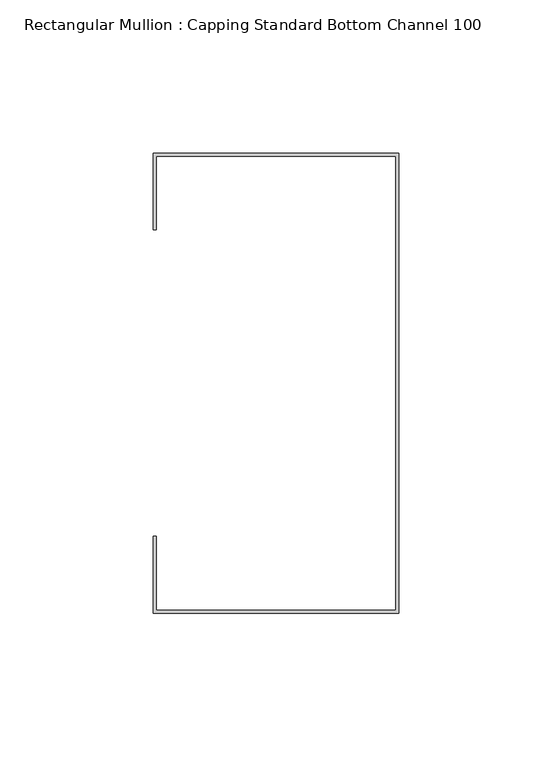
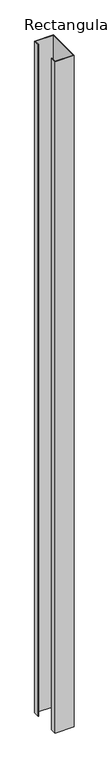
"""IFC4 building model written with IfcOpenShell, lengths in millimetres: member geometry, Rectangular Mullion : Capping Standard Bottom Channel 100."""

from ifc_helpers import new_model, si_unit, frame, origin, place, context, project, spatial, polyline, outline, extrude, source, transform, mapped, element, save


def rectangular_mullion_capping_standard_bottom_channel_100_9185e2d4(model_context):
    return source(origin(), model_context, "Body", "SweptSolid", [
        extrude(outline(polyline([(-0.95, 74.05), (-79.05, 74.05), (-79.05, 50.0), (-80.0, 50.0), (-80.0, 75.0), (0.0, 75.0), (0.0, -75.0), (-80.0, -75.0), (-80.0, -50.0), (-79.05, -50.0), (-79.05, -74.05), (-0.95, -74.05), (-0.95, 74.05)])), frame((0.0, 0.0, -3000.0), z_axis=(0.0, 0.0, 1.0), x_axis=(1.0, 0.0, 0.0)), (0.0, 0.0, 1.0), 3000.0),
    ])


if __name__ == "__main__":
    model = new_model("IFC4")
    model_context = context("Model", 3, world=origin())
    ifc_project = project(units=[si_unit("LENGTHUNIT", "METRE", prefix="MILLI")], contexts=[model_context])
    site = spatial("IfcSite", under=ifc_project)
    building = spatial("IfcBuilding", under=site)
    placement = place(None, origin())
    rectangular_mullion_capping_standard_bottom_channel_100_shape = rectangular_mullion_capping_standard_bottom_channel_100_9185e2d4(model_context)
    element("IfcMember", 1, ObjectType="Rectangular Mullion : Capping Standard Bottom Channel 100", at=placement, inside=building, context=model_context, shape_type="MappedRepresentation", body=[
        mapped(rectangular_mullion_capping_standard_bottom_channel_100_shape, transform((0.0, 0.0, 0.0), x_axis=(1.0, 0.0, 0.0), y_axis=(0.0, 1.0, 0.0), z_axis=(0.0, 0.0, 1.0))),
    ])
    save(model, "model.ifc")
